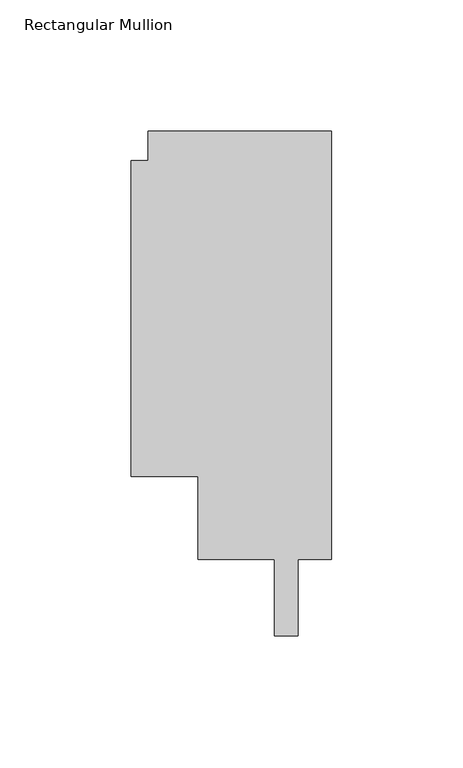
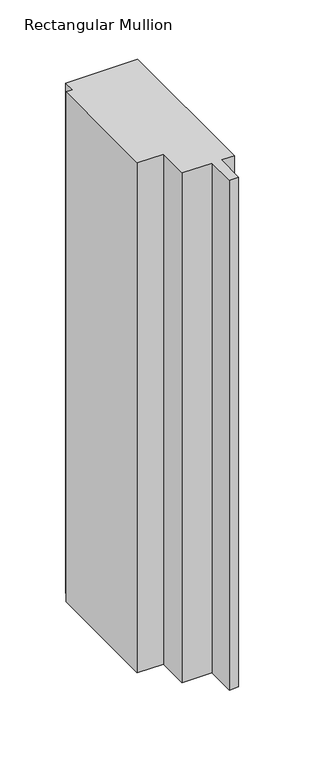
"""IFC4 building model written with IfcOpenShell, lengths in millimetres: member geometry, Rectangular Mullion."""

from ifc_helpers import new_model, si_unit, frame, origin, place, context, project, spatial, polyline, outline, extrude, source, transform, mapped, element, save


def rectangular_mullion_94f06b92(model_context):
    return source(origin(), model_context, "Body", "SweptSolid", [
        extrude(outline(polyline([(-69.85, 163.068), (0.0, 163.068), (0.0, 0.0), (-12.7082673, 0.0), (-12.7082673, -29.0594018), (-21.6998673, -29.0594018), (-21.6998673, 0.0), (-50.7999999, 0.0), (-50.7999999, 31.75), (-76.1999999, 31.75), (-76.1999999, 151.892), (-69.85, 151.892), (-69.85, 163.068)])), frame((0.0, 0.0, -523.8877), z_axis=(0.0, 0.0, 1.0), x_axis=(1.0, 0.0, 0.0)), (0.0, 0.0, 1.0), 523.8877),
    ])


if __name__ == "__main__":
    model = new_model("IFC4")
    model_context = context("Model", 3, world=origin())
    ifc_project = project(units=[si_unit("LENGTHUNIT", "METRE", prefix="MILLI")], contexts=[model_context])
    site = spatial("IfcSite", under=ifc_project)
    building = spatial("IfcBuilding", under=site)
    placement = place(None, origin())
    rectangular_mullion_shape = rectangular_mullion_94f06b92(model_context)
    element("IfcMember", 1, ObjectType="Rectangular Mullion", at=placement, inside=building, context=model_context, shape_type="MappedRepresentation", body=[
        mapped(rectangular_mullion_shape, transform((0.0, 0.0, 0.0), x_axis=(1.0, 0.0, 0.0), y_axis=(0.0, 1.0, 0.0), z_axis=(0.0, 0.0, 1.0))),
    ])
    save(model, "model.ifc")
